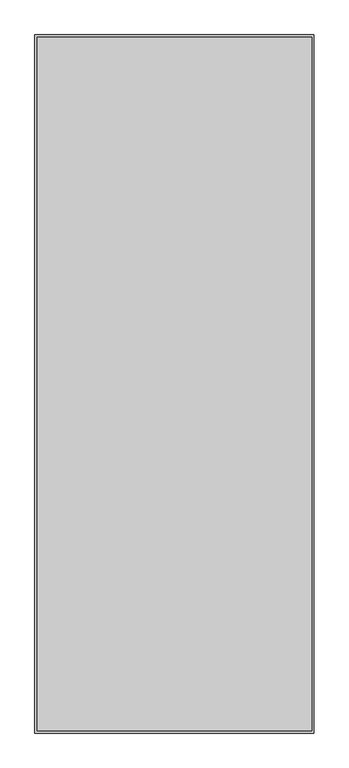
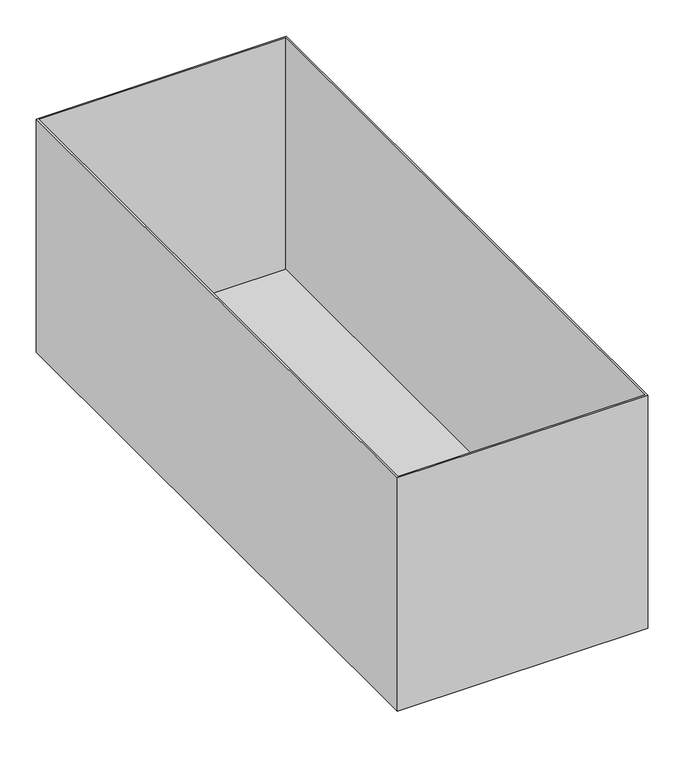
"""IFC4 building model written with IfcOpenShell, lengths in millimetres: furniture geometry."""

from ifc_helpers import new_model, si_unit, point, frame, frame_2d, origin, origin_with_axes, place, context, project, spatial, polyline, circle_curve, trimmed, segment, composite_curve, outline, extrude, faceted_brep, source, transform, mapped, element, save


def furniture_37ddac79(model_context):
    return source(origin(), model_context, "Body", "SolidModel", [
        faceted_brep([(197.0, -497.0, 38.0), (197.0, 497.0, 38.0), (-197.0, 497.0, 38.0), (-197.0, -497.0, 38.0), (200.0, 500.0, 35.0), (200.0, -500.0, 35.0), (-200.0, -500.0, 35.0), (-200.0, 500.0, 35.0), (200.0, 500.0, 429.0), (-200.0, 500.0, 429.0), (-200.0, -500.0, 429.0), (200.0, -500.0, 429.0), (197.0, 497.0, 429.0), (197.0, -497.0, 429.0), (-197.0, -497.0, 429.0), (-197.0, 497.0, 429.0)], [[[0, 1, 2, 3]], [[4, 5, 6, 7]], [[8, 9, 10, 11], [12, 13, 14, 15]], [[9, 8, 4, 7]], [[10, 9, 7, 6]], [[11, 10, 6, 5]], [[8, 11, 5, 4]], [[13, 12, 1, 0]], [[14, 13, 0, 3]], [[15, 14, 3, 2]], [[12, 15, 2, 1]]]),
        extrude(outline(composite_curve([segment(trimmed(circle_curve(frame_2d((-130.0, -400.0)), 15.0), [point((-145.0, -400.0))], [point((-115.0, -400.0))], False, "CARTESIAN"), True, "CONTINUOUS"), segment(trimmed(circle_curve(frame_2d((-130.0, -400.0)), 15.0), [point((-115.0, -400.0))], [point((-145.0, -400.0))], False, "CARTESIAN"), True, "CONTINUOUS")], self_intersect=False)), origin_with_axes(), (0.0, 0.0, 1.0), 5.0),
        extrude(outline(composite_curve([segment(trimmed(circle_curve(frame_2d((-130.0, 400.0)), 15.0), [point((-145.0, 400.0))], [point((-115.0, 400.0))], False, "CARTESIAN"), True, "CONTINUOUS"), segment(trimmed(circle_curve(frame_2d((-130.0, 400.0)), 15.0), [point((-115.0, 400.0))], [point((-145.0, 400.0))], False, "CARTESIAN"), True, "CONTINUOUS")], self_intersect=False)), origin_with_axes(), (0.0, 0.0, 1.0), 5.0),
        extrude(outline(composite_curve([segment(trimmed(circle_curve(frame_2d((130.0, -400.0)), 15.0), [point((115.0, -400.0))], [point((145.0, -400.0))], False, "CARTESIAN"), True, "CONTINUOUS"), segment(trimmed(circle_curve(frame_2d((130.0, -400.0)), 15.0), [point((145.0, -400.0))], [point((115.0, -400.0))], False, "CARTESIAN"), True, "CONTINUOUS")], self_intersect=False)), origin_with_axes(), (0.0, 0.0, 1.0), 5.0),
        extrude(outline(composite_curve([segment(trimmed(circle_curve(frame_2d((130.0, 400.0)), 15.0), [point((115.0, 400.0))], [point((145.0, 400.0))], False, "CARTESIAN"), True, "CONTINUOUS"), segment(trimmed(circle_curve(frame_2d((130.0, 400.0)), 15.0), [point((145.0, 400.0))], [point((115.0, 400.0))], False, "CARTESIAN"), True, "CONTINUOUS")], self_intersect=False)), origin_with_axes(), (0.0, 0.0, 1.0), 5.0),
        extrude(outline(composite_curve([segment(trimmed(circle_curve(frame_2d((8.0, -147.0)), 3.0), [point((8.0, -150.0))], [point((5.0, -147.0))], False, "CARTESIAN"), True, "CONTINUOUS"), segment(polyline([(5.0, -147.0), (5.0, -113.0)]), True, "CONTINUOUS"), segment(trimmed(circle_curve(frame_2d((8.0, -113.0)), 3.0), [point((5.0, -113.0))], [point((8.0, -110.0))], False, "CARTESIAN"), True, "CONTINUOUS"), segment(polyline([(8.0, -110.0), (35.0, -110.0), (35.0, -113.0), (11.0, -113.0)]), True, "CONTINUOUS"), segment(trimmed(circle_curve(frame_2d((11.0, -116.0)), 3.0), [point((11.0, -113.0))], [point((8.0, -116.0))], True, "CARTESIAN"), True, "CONTINUOUS"), segment(polyline([(8.0, -116.0), (8.0, -144.0)]), True, "CONTINUOUS"), segment(trimmed(circle_curve(frame_2d((11.0, -144.0)), 3.0), [point((8.0, -144.0))], [point((11.0, -147.0))], True, "CARTESIAN"), True, "CONTINUOUS"), segment(polyline([(11.0, -147.0), (35.0, -147.0), (35.0, -150.0), (8.0, -150.0)]), True, "CONTINUOUS")], self_intersect=False)), frame((0.0, -450.0, 0.0), z_axis=(0.0, 1.0, 0.0), x_axis=(0.0, 0.0, 1.0)), (0.0, 0.0, 1.0), 900.0),
        extrude(outline(composite_curve([segment(polyline([(8.0, 150.0), (35.0, 150.0), (35.0, 147.0), (11.0, 147.0)]), True, "CONTINUOUS"), segment(trimmed(circle_curve(frame_2d((11.0, 144.0)), 3.0), [point((11.0, 147.0))], [point((8.0, 144.0))], True, "CARTESIAN"), True, "CONTINUOUS"), segment(polyline([(8.0, 144.0), (8.0, 116.0)]), True, "CONTINUOUS"), segment(trimmed(circle_curve(frame_2d((11.0, 116.0)), 3.0), [point((8.0, 116.0))], [point((11.0, 113.0))], True, "CARTESIAN"), True, "CONTINUOUS"), segment(polyline([(11.0, 113.0), (35.0, 113.0), (35.0, 110.0), (8.0, 110.0)]), True, "CONTINUOUS"), segment(trimmed(circle_curve(frame_2d((8.0, 113.0)), 3.0), [point((8.0, 110.0))], [point((5.0, 113.0))], False, "CARTESIAN"), True, "CONTINUOUS"), segment(polyline([(5.0, 113.0), (5.0, 147.0)]), True, "CONTINUOUS"), segment(trimmed(circle_curve(frame_2d((8.0, 147.0)), 3.0), [point((5.0, 147.0))], [point((8.0, 150.0))], False, "CARTESIAN"), True, "CONTINUOUS")], self_intersect=False)), frame((0.0, -450.0, 0.0), z_axis=(0.0, 1.0, 0.0), x_axis=(0.0, 0.0, 1.0)), (0.0, 0.0, 1.0), 900.0),
    ])


if __name__ == "__main__":
    model = new_model("IFC4")
    model_context = context("Model", 3, world=origin())
    ifc_project = project(units=[si_unit("LENGTHUNIT", "METRE", prefix="MILLI")], contexts=[model_context])
    site = spatial("IfcSite", under=ifc_project)
    building = spatial("IfcBuilding", under=site)
    placement = place(None, origin())
    furniture_shape = furniture_37ddac79(model_context)
    element("IfcFurniture", 1, at=placement, inside=building, context=model_context, shape_type="MappedRepresentation", body=[
        mapped(furniture_shape, transform((0.0, 0.0, 0.0), x_axis=(1.0, 0.0, 0.0), y_axis=(0.0, 1.0, 0.0), z_axis=(0.0, 0.0, 1.0))),
    ])
    save(model, "model.ifc")
